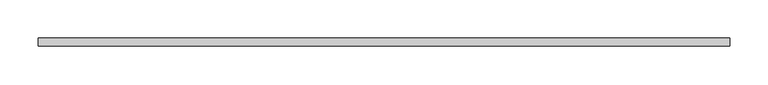
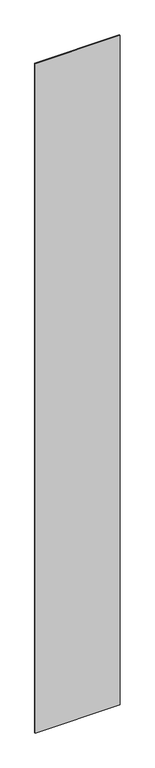
"""IFC4 building model written with IfcOpenShell, lengths in millimetres: plate geometry."""

from ifc_helpers import new_model, si_unit, origin, origin_with_axes, place, context, project, spatial, polyline, outline, extrude, source, transform, mapped, element, save


def plate_598ba789(model_context):
    return source(origin(), model_context, "Body", "SweptSolid", [
        extrude(outline(polyline([(450.0, -5.0), (-450.0, -5.0), (-450.0, 5.0), (450.0, 5.0), (450.0, -5.0)])), origin_with_axes(), (0.0, 0.0, 1.0), 7500.0),
    ])


if __name__ == "__main__":
    model = new_model("IFC4")
    model_context = context("Model", 3, world=origin())
    ifc_project = project(units=[si_unit("LENGTHUNIT", "METRE", prefix="MILLI")], contexts=[model_context])
    site = spatial("IfcSite", under=ifc_project)
    building = spatial("IfcBuilding", under=site)
    placement = place(None, origin())
    plate_shape = plate_598ba789(model_context)
    element("IfcPlate", 1, at=placement, inside=building, context=model_context, shape_type="MappedRepresentation", body=[
        mapped(plate_shape, transform((0.0, 0.0, 0.0), x_axis=(1.0, 0.0, 0.0), y_axis=(0.0, 1.0, 0.0), z_axis=(0.0, 0.0, 1.0))),
    ])
    save(model, "model.ifc")
